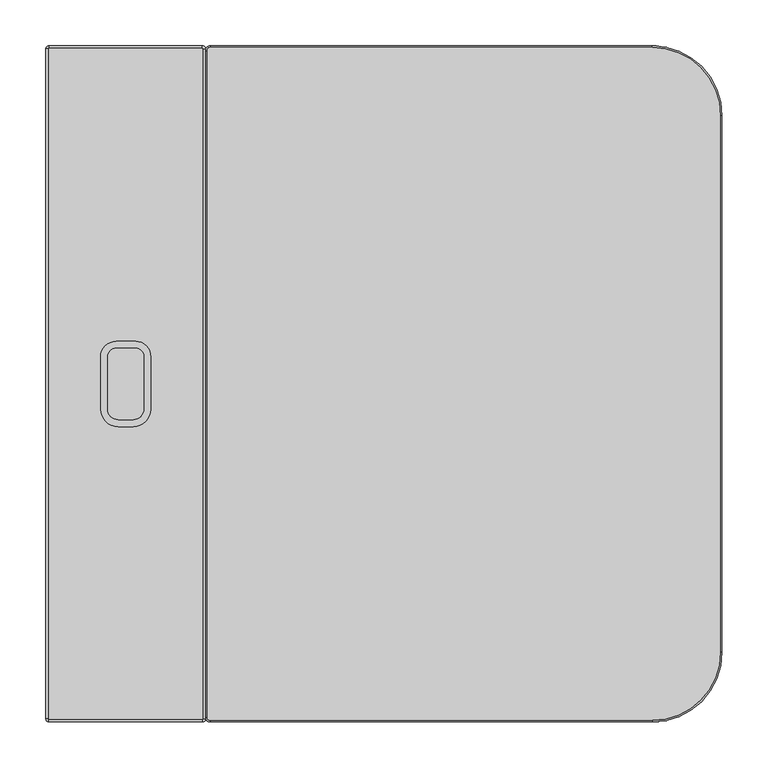
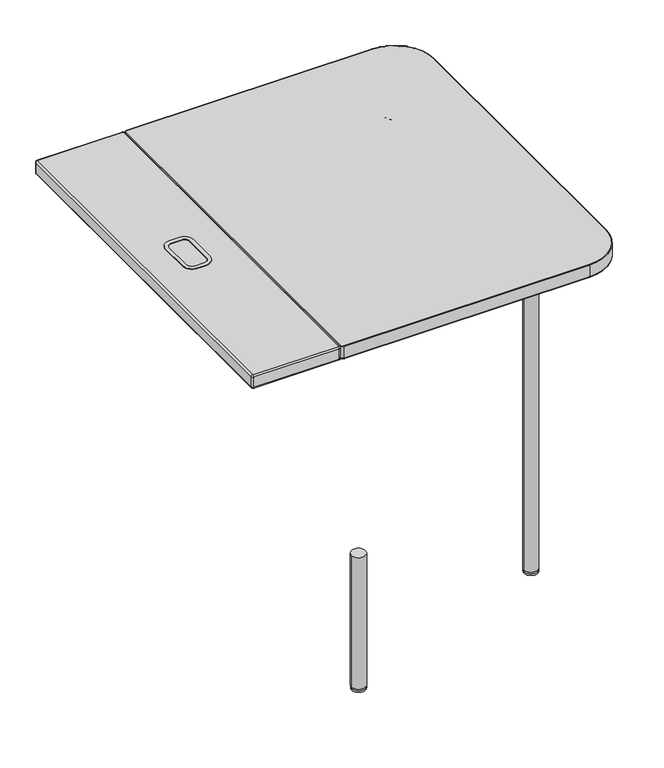
"""IFC4 building model written with IfcOpenShell, lengths in millimetres: furniture geometry."""

from ifc_helpers import new_model, si_unit, point, frame, frame_2d, origin, place, context, project, spatial, polyline, circle_curve, ellipse_curve, trimmed, segment, composite_curve, outline, extrude, source, transform, mapped, element, save
from ifc_brep_helpers import plane_surface, cylinder_surface, revolved_surface, advanced_brep


def furniture_56a9c223(model_context):
    return source(origin(), model_context, "Body", "SolidModel", [
        advanced_brep(
        [(734.9734241, -660.3995155, 738.0731901), (734.9734241, -76.2, 738.0731901), (660.4009689, -1.6275448, 738.0731901), (179.072214, -1.6275448, 738.0731901), (175.6197588, -5.08, 738.0731901), (175.6197588, -731.5195155, 738.0731901), (179.072214, -734.9719707, 738.0731901), (660.4009689, -734.9719707, 738.0731901), (173.992214, -5.08, 712.8617201), (179.072214, 0.0, 712.8617201), (179.072214, -1.6213398, 711.2403803), (175.6135538, -5.08, 711.2403803), (173.992214, -5.08, 736.4456453), (179.072214, 0.0, 736.4456453), (175.6135538, -731.5195155, 711.2403803), (173.992214, -731.5195155, 712.8617201), (173.992214, -731.5195155, 736.4456453), (179.072214, -734.9781757, 711.2403803), (179.072214, -736.5995155, 712.8617201), (179.072214, -736.5995155, 736.4456453), (660.4009689, -734.9781757, 711.2403803), (660.4009689, -736.5995155, 712.8617201), (660.4009689, -736.5995155, 736.4456453), (734.9796291, -660.3995155, 711.2403803), (736.6009689, -660.3995155, 712.8617201), (736.6009689, -660.3995155, 736.4456453), (734.9796291, -76.2, 711.2403803), (736.6009689, -76.2, 712.8617201), (736.6009689, -76.2, 736.4456453), (660.4009689, -1.6213398, 711.2403803), (660.4009689, 0.0, 712.8617201), (660.4009689, 0.0, 736.4456453)],
        [
            (0, 1),
            (1, 2, circle_curve(frame((660.4009689, -76.2, 738.0731901), z_axis=(0.0, 0.0, 1.0), x_axis=(1.0, 0.0, 0.0)), 74.5724552)),
            (2, 3),
            (3, 4, circle_curve(frame((179.072214, -5.08, 738.0731901), z_axis=(0.0, 0.0, 1.0), x_axis=(0.0, 1.0, 0.0)), 3.4524552)),
            (4, 5),
            (5, 6, circle_curve(frame((179.072214, -731.5195155, 738.0731901), z_axis=(0.0, 0.0, 1.0), x_axis=(-1.0, 0.0, 0.0)), 3.4524552)),
            (6, 7),
            (7, 0, circle_curve(frame((660.4009689, -660.3995155, 738.0731901), z_axis=(0.0, 0.0, 1.0), x_axis=(0.0, -1.0, 0.0)), 74.5724552)),
            (8, 9, circle_curve(frame((179.072214, -5.08, 712.8617201), z_axis=(0.0, 0.0, -1.0), x_axis=(0.0, 1.0, 0.0)), 5.08)),
            (9, 10, circle_curve(frame((179.072214, -1.6213398, 712.8617201), z_axis=(-1.0, 0.0, 0.0), x_axis=(0.0, -1.0, 0.0)), 1.6213398)),
            (10, 11, circle_curve(frame((179.072214, -5.08, 711.2403803), z_axis=(0.0, 0.0, 1.0), x_axis=(0.0, 1.0, 0.0)), 3.4586602)),
            (11, 8, circle_curve(frame((175.6135538, -5.08, 712.8617201), z_axis=(0.0, 1.0, 0.0), x_axis=(1.0, 0.0, 0.0)), 1.6213398)),
            (8, 12),
            (12, 13, circle_curve(frame((179.072214, -5.08, 736.4456453), z_axis=(0.0, 0.0, -1.0), x_axis=(0.0, 1.0, 0.0)), 5.08)),
            (13, 9),
            (3, 13, circle_curve(frame((179.072214, -1.6275448, 736.4456453), z_axis=(-1.0, 0.0, 0.0), x_axis=(0.0, -1.0, 0.0)), 1.6275448)),
            (12, 4, circle_curve(frame((175.6197588, -5.08, 736.4456453), z_axis=(0.0, 1.0, 0.0), x_axis=(1.0, 0.0, 0.0)), 1.6275448)),
            (11, 14),
            (14, 15, circle_curve(frame((175.6135538, -731.5195155, 712.8617201), z_axis=(0.0, 1.0, 0.0), x_axis=(1.0, 0.0, 0.0)), 1.6213398)),
            (15, 8),
            (15, 16),
            (16, 12),
            (16, 5, circle_curve(frame((175.6197588, -731.5195155, 736.4456453), z_axis=(0.0, 1.0, 0.0), x_axis=(1.0, 0.0, 0.0)), 1.6275448)),
            (14, 17, circle_curve(frame((179.072214, -731.5195155, 711.2403803), z_axis=(0.0, 0.0, 1.0), x_axis=(-1.0, 0.0, 0.0)), 3.4586602)),
            (17, 18, circle_curve(frame((179.072214, -734.9781757, 712.8617201), z_axis=(-1.0, 0.0, 0.0), x_axis=(0.0, 1.0, 0.0)), 1.6213398)),
            (18, 15, circle_curve(frame((179.072214, -731.5195155, 712.8617201), z_axis=(0.0, 0.0, -1.0), x_axis=(-1.0, 0.0, 0.0)), 5.08)),
            (18, 19),
            (19, 16, circle_curve(frame((179.072214, -731.5195155, 736.4456453), z_axis=(0.0, 0.0, -1.0), x_axis=(-1.0, 0.0, 0.0)), 5.08)),
            (19, 6, circle_curve(frame((179.072214, -734.9719707, 736.4456453), z_axis=(-1.0, 0.0, 0.0), x_axis=(0.0, 1.0, 0.0)), 1.6275448)),
            (17, 20),
            (20, 21, circle_curve(frame((660.4009689, -734.9781757, 712.8617201), z_axis=(-1.0, 0.0, 0.0), x_axis=(0.0, 1.0, 0.0)), 1.6213398)),
            (21, 18),
            (21, 22),
            (22, 19),
            (22, 7, circle_curve(frame((660.4009689, -734.9719707, 736.4456453), z_axis=(-1.0, 0.0, 0.0), x_axis=(0.0, 1.0, 0.0)), 1.6275448)),
            (20, 23, circle_curve(frame((660.4009689, -660.3995155, 711.2403803), z_axis=(0.0, 0.0, 1.0), x_axis=(0.0, -1.0, 0.0)), 74.5786602)),
            (23, 24, circle_curve(frame((734.9796291, -660.3995155, 712.8617201), z_axis=(0.0, -1.0, 0.0), x_axis=(-1.0, 0.0, 0.0)), 1.6213398)),
            (24, 21, circle_curve(frame((660.4009689, -660.3995155, 712.8617201), z_axis=(0.0, 0.0, -1.0), x_axis=(0.0, -1.0, 0.0)), 76.2)),
            (24, 25),
            (25, 22, circle_curve(frame((660.4009689, -660.3995155, 736.4456453), z_axis=(0.0, 0.0, -1.0), x_axis=(0.0, -1.0, 0.0)), 76.2)),
            (25, 0, circle_curve(frame((734.9734241, -660.3995155, 736.4456453), z_axis=(0.0, -1.0, 0.0), x_axis=(-1.0, 0.0, 0.0)), 1.6275448)),
            (23, 26),
            (26, 27, circle_curve(frame((734.9796291, -76.2, 712.8617201), z_axis=(0.0, -1.0, 0.0), x_axis=(-1.0, 0.0, 0.0)), 1.6213398)),
            (27, 24),
            (27, 28),
            (28, 25),
            (28, 1, circle_curve(frame((734.9734241, -76.2, 736.4456453), z_axis=(0.0, -1.0, 0.0), x_axis=(-1.0, 0.0, 0.0)), 1.6275448)),
            (26, 29, circle_curve(frame((660.4009689, -76.2, 711.2403803), z_axis=(0.0, 0.0, 1.0), x_axis=(1.0, 0.0, 0.0)), 74.5786602)),
            (29, 30, circle_curve(frame((660.4009689, -1.6213398, 712.8617201), z_axis=(1.0, 0.0, 0.0), x_axis=(0.0, -1.0, 0.0)), 1.6213398)),
            (30, 27, circle_curve(frame((660.4009689, -76.2, 712.8617201), z_axis=(0.0, 0.0, -1.0), x_axis=(1.0, 0.0, 0.0)), 76.2)),
            (30, 31),
            (31, 28, circle_curve(frame((660.4009689, -76.2, 736.4456453), z_axis=(0.0, 0.0, -1.0), x_axis=(1.0, 0.0, 0.0)), 76.2)),
            (31, 2, circle_curve(frame((660.4009689, -1.6275448, 736.4456453), z_axis=(1.0, 0.0, 0.0), x_axis=(0.0, -1.0, 0.0)), 1.6275448)),
            (10, 29),
            (9, 30),
            (13, 31),
        ],
        [
            plane_surface(frame((660.4009689, -1.6275448, 738.0731901), z_axis=(0.0, 0.0, 1.0), x_axis=(-1.0, 0.0, 0.0))),
            revolved_surface(trimmed(ellipse_curve(frame((179.072214, -1.6213398, 712.8617201), z_axis=(1.0, 0.0, 0.0), x_axis=(0.0, -1.0, 0.0)), 1.6213398, 1.6213398), [point((179.072214, -1.6213398, 711.2403803))], [point((179.072214, 0.0, 712.8617201))], True, "CARTESIAN"), (179.072214, -5.08, 734.8981659), (0.0, 0.0, 1.0)),
            cylinder_surface(frame((179.072214, -5.08, 734.8981659), z_axis=(0.0, 0.0, 1.0), x_axis=(0.0, 1.0, 0.0)), 5.08),
            revolved_surface(trimmed(ellipse_curve(frame((179.072214, -1.6275448, 736.4456453), z_axis=(1.0, 0.0, 0.0), x_axis=(0.0, -1.0, 0.0)), 1.6275448, 1.6275448), [point((179.072214, 0.0, 736.4456453))], [point((179.072214, -1.6275448, 738.0731901))], True, "CARTESIAN"), (179.072214, -5.08, 734.8981659), (0.0, 0.0, 1.0)),
            cylinder_surface(frame((175.6135538, -5.08, 712.8617201), z_axis=(0.0, 1.0, 0.0), x_axis=(1.0, 0.0, 0.0)), 1.6213398),
            plane_surface(frame((173.992214, -5.08, 712.8617201), z_axis=(-1.0, 0.0, 0.0), x_axis=(0.0, -1.0, 0.0))),
            cylinder_surface(frame((175.6197588, -5.08, 736.4456453), z_axis=(0.0, 1.0, 0.0), x_axis=(1.0, 0.0, 0.0)), 1.6275448),
            revolved_surface(trimmed(ellipse_curve(frame((175.6135538, -731.5195155, 712.8617201), z_axis=(0.0, 1.0, 0.0), x_axis=(1.0, 0.0, 0.0)), 1.6213398, 1.6213398), [point((175.6135538, -731.5195155, 711.2403803))], [point((173.992214, -731.5195155, 712.8617201))], True, "CARTESIAN"), (179.072214, -731.5195155, 734.8981659), (0.0, 0.0, 1.0)),
            cylinder_surface(frame((179.072214, -731.5195155, 734.8981659), z_axis=(0.0, 0.0, 1.0), x_axis=(-1.0, 0.0, 0.0)), 5.08),
            revolved_surface(trimmed(ellipse_curve(frame((175.6197588, -731.5195155, 736.4456453), z_axis=(0.0, 1.0, 0.0), x_axis=(1.0, 0.0, 0.0)), 1.6275448, 1.6275448), [point((173.992214, -731.5195155, 736.4456453))], [point((175.6197588, -731.5195155, 738.0731901))], True, "CARTESIAN"), (179.072214, -731.5195155, 734.8981659), (0.0, 0.0, 1.0)),
            cylinder_surface(frame((179.072214, -734.9781757, 712.8617201), z_axis=(-1.0, 0.0, 0.0), x_axis=(0.0, 1.0, 0.0)), 1.6213398),
            plane_surface(frame((179.072214, -736.5995155, 712.8617201), z_axis=(0.0, -1.0, 0.0), x_axis=(1.0, 0.0, 0.0))),
            cylinder_surface(frame((179.072214, -734.9719707, 736.4456453), z_axis=(-1.0, 0.0, 0.0), x_axis=(0.0, 1.0, 0.0)), 1.6275448),
            revolved_surface(trimmed(ellipse_curve(frame((660.4009689, -734.9781757, 712.8617201), z_axis=(-1.0, 0.0, 0.0), x_axis=(0.0, 1.0, 0.0)), 1.6213398, 1.6213398), [point((660.4009689, -734.9781757, 711.2403803))], [point((660.4009689, -736.5995155, 712.8617201))], True, "CARTESIAN"), (660.4009689, -660.3995155, 734.8981659), (0.0, 0.0, 1.0)),
            cylinder_surface(frame((660.4009689, -660.3995155, 734.8981659), z_axis=(0.0, 0.0, 1.0), x_axis=(0.0, -1.0, 0.0)), 76.2),
            revolved_surface(trimmed(ellipse_curve(frame((660.4009689, -734.9719707, 736.4456453), z_axis=(-1.0, 0.0, 0.0), x_axis=(0.0, 1.0, 0.0)), 1.6275448, 1.6275448), [point((660.4009689, -736.5995155, 736.4456453))], [point((660.4009689, -734.9719707, 738.0731901))], True, "CARTESIAN"), (660.4009689, -660.3995155, 734.8981659), (0.0, 0.0, 1.0)),
            cylinder_surface(frame((734.9796291, -660.3995155, 712.8617201), z_axis=(0.0, -1.0, 0.0), x_axis=(-1.0, 0.0, 0.0)), 1.6213398),
            plane_surface(frame((736.6009689, -660.3995155, 712.8617201), z_axis=(1.0, 0.0, 0.0), x_axis=(0.0, 1.0, 0.0))),
            cylinder_surface(frame((734.9734241, -660.3995155, 736.4456453), z_axis=(0.0, -1.0, 0.0), x_axis=(-1.0, 0.0, 0.0)), 1.6275448),
            revolved_surface(trimmed(ellipse_curve(frame((734.9796291, -76.2, 712.8617201), z_axis=(0.0, -1.0, 0.0), x_axis=(-1.0, 0.0, 0.0)), 1.6213398, 1.6213398), [point((734.9796291, -76.2, 711.2403803))], [point((736.6009689, -76.2, 712.8617201))], True, "CARTESIAN"), (660.4009689, -76.2, 734.8981659), (0.0, 0.0, 1.0)),
            cylinder_surface(frame((660.4009689, -76.2, 734.8981659), z_axis=(0.0, 0.0, 1.0), x_axis=(1.0, 0.0, 0.0)), 76.2),
            revolved_surface(trimmed(ellipse_curve(frame((734.9734241, -76.2, 736.4456453), z_axis=(0.0, -1.0, 0.0), x_axis=(-1.0, 0.0, 0.0)), 1.6275448, 1.6275448), [point((736.6009689, -76.2, 736.4456453))], [point((734.9734241, -76.2, 738.0731901))], True, "CARTESIAN"), (660.4009689, -76.2, 734.8981659), (0.0, 0.0, 1.0)),
            plane_surface(frame((660.4009689, -2.6639572, 711.2403803), z_axis=(0.0, 0.0, -1.0), x_axis=(-1.0, 0.0, 0.0))),
            cylinder_surface(frame((660.4009689, -1.6213398, 712.8617201), z_axis=(1.0, 0.0, 0.0), x_axis=(0.0, -1.0, 0.0)), 1.6213398),
            plane_surface(frame((660.4009689, 0.0, 712.8617201), z_axis=(0.0, 1.0, 0.0), x_axis=(-1.0, 0.0, 0.0))),
            cylinder_surface(frame((660.4009689, -1.6275448, 736.4456453), z_axis=(1.0, 0.0, 0.0), x_axis=(0.0, -1.0, 0.0)), 1.6275448),
        ],
        [
            (0, [[1, 2, 3, 4, 5, 6, 7, 8]]),
            (1, [[9, 10, 11, 12]]),
            (2, [[-9, 13, 14, 15]]),
            (3, [[-4, 16, -14, 17]]),
            (4, [[-12, 18, 19, 20]]),
            (5, [[-13, -20, 21, 22]]),
            (6, [[-5, -17, -22, 23]]),
            (7, [[-19, 24, 25, 26]]),
            (8, [[-21, -26, 27, 28]]),
            (9, [[-6, -23, -28, 29]]),
            (10, [[-25, 30, 31, 32]]),
            (11, [[-27, -32, 33, 34]]),
            (12, [[-7, -29, -34, 35]]),
            (13, [[-31, 36, 37, 38]]),
            (14, [[-33, -38, 39, 40]]),
            (15, [[-8, -35, -40, 41]]),
            (16, [[-37, 42, 43, 44]]),
            (17, [[-39, -44, 45, 46]]),
            (18, [[-1, -41, -46, 47]]),
            (19, [[-43, 48, 49, 50]]),
            (20, [[-45, -50, 51, 52]]),
            (21, [[-2, -47, -52, 53]]),
            (22, [[-11, 54, -48, -42, -36, -30, -24, -18]]),
            (23, [[-10, 55, -49, -54]]),
            (24, [[-15, 56, -51, -55]]),
            (25, [[-3, -53, -56, -16]]),
        ],
    ),
        advanced_brep(
        [(171.4597498, -3.3782, 711.2403803), (170.6215498, -2.54, 711.2403803), (170.6215498, 0.0, 713.7803803), (173.9997498, -3.3782, 713.7803803), (173.9997498, -3.3782, 735.5331901), (170.6215498, 0.0, 735.5331901), (170.6215498, -2.54, 738.0731901), (171.4597498, -3.3782, 738.0731901), (173.9997498, -733.2249972, 713.7803803), (171.4597498, -733.2249972, 711.2403803), (171.4597498, -733.2249972, 738.0731901), (173.9997498, -733.2249972, 735.5331901), (170.624747, -736.6, 713.7803803), (170.624747, -734.06, 711.2403803), (170.624747, -734.06, 738.0731901), (170.624747, -736.6, 735.5331901), (3.3782, -736.6, 713.7803803), (3.3782, -734.06, 711.2403803), (3.3782, -734.06, 738.0731901), (3.3782, -736.6, 735.5331901), (0.0, -733.2218, 713.7803803), (2.54, -733.2218, 711.2403803), (2.54, -733.2218, 738.0731901), (0.0, -733.2218, 735.5331901), (0.0, -3.3782, 713.7803803), (2.54, -3.3782, 711.2403803), (2.54, -3.3782, 738.0731901), (0.0, -3.3782, 735.5331901), (3.3782, 0.0, 713.7803803), (3.3782, -2.54, 711.2403803), (3.3782, -2.54, 738.0731901), (3.3782, 0.0, 735.5331901)],
        [
            (0, 1, circle_curve(frame((170.6215498, -3.3782, 711.2403803), z_axis=(0.0, 0.0, 1.0), x_axis=(0.0, 1.0, 0.0)), 0.8382)),
            (1, 2, circle_curve(frame((170.6215498, -2.54, 713.7803803), z_axis=(1.0, 0.0, 0.0), x_axis=(0.0, -1.0, 0.0)), 2.54)),
            (2, 3, circle_curve(frame((170.6215498, -3.3782, 713.7803803), z_axis=(0.0, 0.0, -1.0), x_axis=(0.0, 1.0, 0.0)), 3.3782)),
            (3, 0, circle_curve(frame((171.4597498, -3.3782, 713.7803803), z_axis=(0.0, 1.0, 0.0), x_axis=(-1.0, 0.0, 0.0)), 2.54)),
            (4, 5, circle_curve(frame((170.6215498, -3.3782, 735.5331901), z_axis=(0.0, 0.0, 1.0), x_axis=(0.0, 1.0, 0.0)), 3.3782)),
            (5, 6, circle_curve(frame((170.6215498, -2.54, 735.5331901), z_axis=(1.0, 0.0, 0.0), x_axis=(0.0, -1.0, 0.0)), 2.54)),
            (6, 7, circle_curve(frame((170.6215498, -3.3782, 738.0731901), z_axis=(0.0, 0.0, -1.0), x_axis=(0.0, 1.0, 0.0)), 0.8382)),
            (7, 4, circle_curve(frame((171.4597498, -3.3782, 735.5331901), z_axis=(0.0, 1.0, 0.0), x_axis=(-1.0, 0.0, 0.0)), 2.54)),
            (2, 5),
            (4, 3),
            (3, 8),
            (8, 9, circle_curve(frame((171.4597498, -733.2249972, 713.7803803), z_axis=(0.0, 1.0, 0.0), x_axis=(-1.0, 0.0, 0.0)), 2.54)),
            (9, 0),
            (7, 10),
            (10, 11, circle_curve(frame((171.4597498, -733.2249972, 735.5331901), z_axis=(0.0, 1.0, 0.0), x_axis=(-1.0, 0.0, 0.0)), 2.54)),
            (11, 4),
            (11, 8),
            (8, 12, circle_curve(frame((170.624747, -733.2249972, 713.7803803), z_axis=(0.0, 0.0, -1.0), x_axis=(1.0, 0.0, 0.0)), 3.3750028)),
            (12, 13, circle_curve(frame((170.624747, -734.06, 713.7803803), z_axis=(1.0, 0.0, 0.0), x_axis=(0.0, 1.0, 0.0)), 2.54)),
            (13, 9, circle_curve(frame((170.624747, -733.2249972, 711.2403803), z_axis=(0.0, 0.0, 1.0), x_axis=(1.0, 0.0, 0.0)), 0.8350028)),
            (10, 14, circle_curve(frame((170.624747, -733.2249972, 738.0731901), z_axis=(0.0, 0.0, -1.0), x_axis=(1.0, 0.0, 0.0)), 0.8350028)),
            (14, 15, circle_curve(frame((170.624747, -734.06, 735.5331901), z_axis=(1.0, 0.0, 0.0), x_axis=(0.0, 1.0, 0.0)), 2.54)),
            (15, 11, circle_curve(frame((170.624747, -733.2249972, 735.5331901), z_axis=(0.0, 0.0, 1.0), x_axis=(1.0, 0.0, 0.0)), 3.3750028)),
            (15, 12),
            (12, 16),
            (16, 17, circle_curve(frame((3.3782, -734.06, 713.7803803), z_axis=(1.0, 0.0, 0.0), x_axis=(0.0, 1.0, 0.0)), 2.54)),
            (17, 13),
            (14, 18),
            (18, 19, circle_curve(frame((3.3782, -734.06, 735.5331901), z_axis=(1.0, 0.0, 0.0), x_axis=(0.0, 1.0, 0.0)), 2.54)),
            (19, 15),
            (19, 16),
            (16, 20, circle_curve(frame((3.3782, -733.2218, 713.7803803), z_axis=(0.0, 0.0, -1.0), x_axis=(0.0, -1.0, 0.0)), 3.3782)),
            (20, 21, circle_curve(frame((2.54, -733.2218, 713.7803803), z_axis=(0.0, -1.0, 0.0), x_axis=(1.0, 0.0, 0.0)), 2.54)),
            (21, 17, circle_curve(frame((3.3782, -733.2218, 711.2403803), z_axis=(0.0, 0.0, 1.0), x_axis=(0.0, -1.0, 0.0)), 0.8382)),
            (18, 22, circle_curve(frame((3.3782, -733.2218, 738.0731901), z_axis=(0.0, 0.0, -1.0), x_axis=(0.0, -1.0, 0.0)), 0.8382)),
            (22, 23, circle_curve(frame((2.54, -733.2218, 735.5331901), z_axis=(0.0, -1.0, 0.0), x_axis=(1.0, 0.0, 0.0)), 2.54)),
            (23, 19, circle_curve(frame((3.3782, -733.2218, 735.5331901), z_axis=(0.0, 0.0, 1.0), x_axis=(0.0, -1.0, 0.0)), 3.3782)),
            (23, 20),
            (20, 24),
            (24, 25, circle_curve(frame((2.54, -3.3782, 713.7803803), z_axis=(0.0, -1.0, 0.0), x_axis=(1.0, 0.0, 0.0)), 2.54)),
            (25, 21),
            (22, 26),
            (26, 27, circle_curve(frame((2.54, -3.3782, 735.5331901), z_axis=(0.0, -1.0, 0.0), x_axis=(1.0, 0.0, 0.0)), 2.54)),
            (27, 23),
            (27, 24),
            (24, 28, circle_curve(frame((3.3782, -3.3782, 713.7803803), z_axis=(0.0, 0.0, -1.0), x_axis=(-1.0, 0.0, 0.0)), 3.3782)),
            (28, 29, circle_curve(frame((3.3782, -2.54, 713.7803803), z_axis=(-1.0, 0.0, 0.0), x_axis=(0.0, -1.0, 0.0)), 2.54)),
            (29, 25, circle_curve(frame((3.3782, -3.3782, 711.2403803), z_axis=(0.0, 0.0, 1.0), x_axis=(-1.0, 0.0, 0.0)), 0.8382)),
            (26, 30, circle_curve(frame((3.3782, -3.3782, 738.0731901), z_axis=(0.0, 0.0, -1.0), x_axis=(-1.0, 0.0, 0.0)), 0.8382)),
            (30, 31, circle_curve(frame((3.3782, -2.54, 735.5331901), z_axis=(-1.0, 0.0, 0.0), x_axis=(0.0, -1.0, 0.0)), 2.54)),
            (31, 27, circle_curve(frame((3.3782, -3.3782, 735.5331901), z_axis=(0.0, 0.0, 1.0), x_axis=(-1.0, 0.0, 0.0)), 3.3782)),
            (31, 28),
            (1, 29),
            (28, 2),
            (6, 30),
            (5, 31),
        ],
        [
            revolved_surface(trimmed(ellipse_curve(frame((170.6215498, -2.54, 713.7803803), z_axis=(-1.0, 0.0, 0.0), x_axis=(0.0, -1.0, 0.0)), 2.54, 2.54), [point((170.6215498, 0.0, 713.7803803))], [point((170.6215498, -2.54, 711.2403803))], True, "CARTESIAN"), (170.6215498, -3.3782, 0.0), (0.0, 0.0, -1.0)),
            revolved_surface(trimmed(ellipse_curve(frame((170.6215498, -2.54, 735.5331901), z_axis=(-1.0, 0.0, 0.0), x_axis=(0.0, -1.0, 0.0)), 2.54, 2.54), [point((170.6215498, -2.54, 738.0731901))], [point((170.6215498, 0.0, 735.5331901))], True, "CARTESIAN"), (170.6215498, -3.3782, 0.0), (0.0, 0.0, -1.0)),
            cylinder_surface(frame((170.6215498, -3.3782, 0.0), z_axis=(0.0, 0.0, -1.0), x_axis=(0.0, 1.0, 0.0)), 3.3782),
            cylinder_surface(frame((171.4597498, -3.3782, 713.7803803), z_axis=(0.0, 1.0, 0.0), x_axis=(-1.0, 0.0, 0.0)), 2.54),
            cylinder_surface(frame((171.4597498, -3.3782, 735.5331901), z_axis=(0.0, 1.0, 0.0), x_axis=(-1.0, 0.0, 0.0)), 2.54),
            plane_surface(frame((173.9997498, -3.3782, 735.5331901), z_axis=(1.0, 0.0, 0.0), x_axis=(0.0, -1.0, 0.0))),
            revolved_surface(trimmed(ellipse_curve(frame((171.4597498, -733.2249972, 713.7803803), z_axis=(0.0, 1.0, 0.0), x_axis=(-1.0, 0.0, 0.0)), 2.54, 2.54), [point((173.9997498, -733.2249972, 713.7803803))], [point((171.4597498, -733.2249972, 711.2403803))], True, "CARTESIAN"), (170.624747, -733.2249972, 0.0), (0.0, 0.0, -1.0)),
            revolved_surface(trimmed(ellipse_curve(frame((171.4597498, -733.2249972, 735.5331901), z_axis=(0.0, 1.0, 0.0), x_axis=(-1.0, 0.0, 0.0)), 2.54, 2.54), [point((171.4597498, -733.2249972, 738.0731901))], [point((173.9997498, -733.2249972, 735.5331901))], True, "CARTESIAN"), (170.624747, -733.2249972, 0.0), (0.0, 0.0, -1.0)),
            cylinder_surface(frame((170.624747, -733.2249972, 0.0), z_axis=(0.0, 0.0, -1.0), x_axis=(1.0, 0.0, 0.0)), 3.3750028),
            cylinder_surface(frame((170.624747, -734.06, 713.7803803), z_axis=(1.0, 0.0, 0.0), x_axis=(0.0, 1.0, 0.0)), 2.54),
            cylinder_surface(frame((170.624747, -734.06, 735.5331901), z_axis=(1.0, 0.0, 0.0), x_axis=(0.0, 1.0, 0.0)), 2.54),
            plane_surface(frame((170.624747, -736.6, 735.5331901), z_axis=(0.0, -1.0, 0.0), x_axis=(-1.0, 0.0, 0.0))),
            revolved_surface(trimmed(ellipse_curve(frame((3.3782, -734.06, 713.7803803), z_axis=(1.0, 0.0, 0.0), x_axis=(0.0, 1.0, 0.0)), 2.54, 2.54), [point((3.3782, -736.6, 713.7803803))], [point((3.3782, -734.06, 711.2403803))], True, "CARTESIAN"), (3.3782, -733.2218, 0.0), (0.0, 0.0, -1.0)),
            revolved_surface(trimmed(ellipse_curve(frame((3.3782, -734.06, 735.5331901), z_axis=(1.0, 0.0, 0.0), x_axis=(0.0, 1.0, 0.0)), 2.54, 2.54), [point((3.3782, -734.06, 738.0731901))], [point((3.3782, -736.6, 735.5331901))], True, "CARTESIAN"), (3.3782, -733.2218, 0.0), (0.0, 0.0, -1.0)),
            cylinder_surface(frame((3.3782, -733.2218, 0.0), z_axis=(0.0, 0.0, -1.0), x_axis=(0.0, -1.0, 0.0)), 3.3782),
            cylinder_surface(frame((2.54, -733.2218, 713.7803803), z_axis=(0.0, -1.0, 0.0), x_axis=(1.0, 0.0, 0.0)), 2.54),
            cylinder_surface(frame((2.54, -733.2218, 735.5331901), z_axis=(0.0, -1.0, 0.0), x_axis=(1.0, 0.0, 0.0)), 2.54),
            plane_surface(frame((0.0, -733.2218, 735.5331901), z_axis=(-1.0, 0.0, 0.0), x_axis=(0.0, 1.0, 0.0))),
            revolved_surface(trimmed(ellipse_curve(frame((2.54, -3.3782, 713.7803803), z_axis=(0.0, -1.0, 0.0), x_axis=(1.0, 0.0, 0.0)), 2.54, 2.54), [point((0.0, -3.3782, 713.7803803))], [point((2.54, -3.3782, 711.2403803))], True, "CARTESIAN"), (3.3782, -3.3782, 0.0), (0.0, 0.0, -1.0)),
            revolved_surface(trimmed(ellipse_curve(frame((2.54, -3.3782, 735.5331901), z_axis=(0.0, -1.0, 0.0), x_axis=(1.0, 0.0, 0.0)), 2.54, 2.54), [point((2.54, -3.3782, 738.0731901))], [point((0.0, -3.3782, 735.5331901))], True, "CARTESIAN"), (3.3782, -3.3782, 0.0), (0.0, 0.0, -1.0)),
            cylinder_surface(frame((3.3782, -3.3782, 0.0), z_axis=(0.0, 0.0, -1.0), x_axis=(-1.0, 0.0, 0.0)), 3.3782),
            cylinder_surface(frame((3.3782, -2.54, 713.7803803), z_axis=(-1.0, 0.0, 0.0), x_axis=(0.0, -1.0, 0.0)), 2.54),
            plane_surface(frame((3.3782, -2.54, 711.2403803), z_axis=(0.0, 0.0, -1.0), x_axis=(1.0, 0.0, 0.0))),
            plane_surface(frame((3.3782, -3.3653618, 738.0731901), z_axis=(0.0, 0.0, 1.0), x_axis=(1.0, 0.0, 0.0))),
            cylinder_surface(frame((3.3782, -2.54, 735.5331901), z_axis=(-1.0, 0.0, 0.0), x_axis=(0.0, -1.0, 0.0)), 2.54),
            plane_surface(frame((3.3782, 0.0, 735.5331901), z_axis=(0.0, 1.0, 0.0), x_axis=(1.0, 0.0, 0.0))),
        ],
        [
            (0, [[1, 2, 3, 4]]),
            (1, [[5, 6, 7, 8]]),
            (2, [[-3, 9, -5, 10]]),
            (3, [[-4, 11, 12, 13]]),
            (4, [[-8, 14, 15, 16]]),
            (5, [[-10, -16, 17, -11]]),
            (6, [[-12, 18, 19, 20]]),
            (7, [[-15, 21, 22, 23]]),
            (8, [[-17, -23, 24, -18]]),
            (9, [[-19, 25, 26, 27]]),
            (10, [[-22, 28, 29, 30]]),
            (11, [[-24, -30, 31, -25]]),
            (12, [[-26, 32, 33, 34]]),
            (13, [[-29, 35, 36, 37]]),
            (14, [[-31, -37, 38, -32]]),
            (15, [[-33, 39, 40, 41]]),
            (16, [[-36, 42, 43, 44]]),
            (17, [[-38, -44, 45, -39]]),
            (18, [[-40, 46, 47, 48]]),
            (19, [[-43, 49, 50, 51]]),
            (20, [[-45, -51, 52, -46]]),
            (21, [[-2, 53, -47, 54]]),
            (22, [[-1, -13, -20, -27, -34, -41, -48, -53]]),
            (23, [[-7, 55, -49, -42, -35, -28, -21, -14]]),
            (24, [[-6, 56, -50, -55]]),
            (25, [[-9, -54, -52, -56]]),
        ],
    ),
        advanced_brep(
        [(657.4837209, -558.9116898, 7.4421999), (637.8363373, -558.9116898, 7.4421999), (634.562739, -558.9116898, 4.0585105), (660.7573193, -558.9116898, 4.0585105), (636.2832767, -558.9116898, 0.0), (659.0367815, -558.9116898, 0.0), (647.6600291, -558.9116898, 0.0), (647.6600291, -558.9116898, 7.4421999)],
        [
            (0, 1, circle_curve(frame((647.6600291, -558.9116898, 7.4421999), z_axis=(0.0, 0.0, -1.0), x_axis=(-1.0, 0.0, 0.0)), 9.8236918)),
            (1, 2),
            (2, 3, circle_curve(frame((647.6600291, -558.9116898, 4.0585105), z_axis=(0.0, 0.0, 1.0), x_axis=(-1.0, 0.0, 0.0)), 13.0972902)),
            (3, 0),
            (1, 0, circle_curve(frame((647.6600291, -558.9116898, 7.4421999), z_axis=(0.0, 0.0, -1.0), x_axis=(-1.0, 0.0, 0.0)), 9.8236918)),
            (3, 2, circle_curve(frame((647.6600291, -558.9116898, 4.0585105), z_axis=(0.0, 0.0, 1.0), x_axis=(-1.0, 0.0, 0.0)), 13.0972902)),
            (2, 4, circle_curve(frame((636.2832767, -558.9116898, 2.3939518), z_axis=(0.0, -1.0, 0.0), x_axis=(1.0, 0.0, 0.0)), 2.3939518)),
            (4, 5, circle_curve(frame((647.6600291, -558.9116898, 0.0), z_axis=(0.0, 0.0, 1.0), x_axis=(-1.0, 0.0, 0.0)), 11.3767524)),
            (5, 3, circle_curve(frame((659.0367815, -558.9116898, 2.3939518), z_axis=(0.0, -1.0, 0.0), x_axis=(-1.0, 0.0, 0.0)), 2.3939518)),
            (5, 4, circle_curve(frame((647.6600291, -558.9116898, 0.0), z_axis=(0.0, 0.0, 1.0), x_axis=(-1.0, 0.0, 0.0)), 11.3767524)),
            (4, 6),
            (6, 5),
            (7, 1),
            (0, 7),
        ],
        [
            revolved_surface(polyline([(634.562739, -558.9116898, 4.0585105), (637.8363373, -558.9116898, 7.4421999)]), (647.6600291, -558.9116898, 3.7265795), (0.0, 0.0, 1.0)),
            revolved_surface(trimmed(ellipse_curve(frame((636.2832767, -558.9116898, 2.3939518), z_axis=(0.0, 1.0, 0.0), x_axis=(1.0, 0.0, 0.0)), 2.3939518, 2.3939518), [point((636.2832767, -558.9116898, 0.0))], [point((634.562739, -558.9116898, 4.0585105))], True, "CARTESIAN"), (647.6600291, -558.9116898, 3.7265795), (0.0, 0.0, 1.0)),
            plane_surface(frame((647.6600291, -558.9116898, 0.0), z_axis=(0.0, 0.0, -1.0), x_axis=(-1.0, 0.0, 0.0))),
            plane_surface(frame((647.6600291, -558.9116898, 7.4421999), z_axis=(0.0, 0.0, 1.0), x_axis=(-1.0, 0.0, 0.0))),
        ],
        [
            (0, [[1, 2, 3, 4]]),
            (0, [[5, -4, 6, -2]]),
            (1, [[-3, 7, 8, 9]]),
            (1, [[-6, -9, 10, -7]]),
            (2, [[-8, 11, 12]]),
            (2, [[-10, -12, -11]]),
            (3, [[13, -1, 14]]),
            (3, [[-14, -5, -13]]),
        ],
    ),
        advanced_brep(
        [(232.0736979, -711.9932655, 7.4421999), (212.4263143, -711.9932655, 7.4421999), (209.1527159, -711.9932655, 4.0585105), (235.3472962, -711.9932655, 4.0585105), (210.8732536, -711.9932655, 0.0), (233.6267585, -711.9932655, 0.0), (222.2500061, -711.9932655, 0.0), (222.2500061, -711.9932655, 7.4421999)],
        [
            (0, 1, circle_curve(frame((222.2500061, -711.9932655, 7.4421999), z_axis=(0.0, 0.0, -1.0), x_axis=(-1.0, 0.0, 0.0)), 9.8236918)),
            (1, 2),
            (2, 3, circle_curve(frame((222.2500061, -711.9932655, 4.0585105), z_axis=(0.0, 0.0, 1.0), x_axis=(-1.0, 0.0, 0.0)), 13.0972902)),
            (3, 0),
            (1, 0, circle_curve(frame((222.2500061, -711.9932655, 7.4421999), z_axis=(0.0, 0.0, -1.0), x_axis=(-1.0, 0.0, 0.0)), 9.8236918)),
            (3, 2, circle_curve(frame((222.2500061, -711.9932655, 4.0585105), z_axis=(0.0, 0.0, 1.0), x_axis=(-1.0, 0.0, 0.0)), 13.0972902)),
            (2, 4, circle_curve(frame((210.8732536, -711.9932655, 2.3939518), z_axis=(0.0, -1.0, 0.0), x_axis=(1.0, 0.0, 0.0)), 2.3939518)),
            (4, 5, circle_curve(frame((222.2500061, -711.9932655, 0.0), z_axis=(0.0, 0.0, 1.0), x_axis=(-1.0, 0.0, 0.0)), 11.3767524)),
            (5, 3, circle_curve(frame((233.6267585, -711.9932655, 2.3939518), z_axis=(0.0, -1.0, 0.0), x_axis=(-1.0, 0.0, 0.0)), 2.3939518)),
            (5, 4, circle_curve(frame((222.2500061, -711.9932655, 0.0), z_axis=(0.0, 0.0, 1.0), x_axis=(-1.0, 0.0, 0.0)), 11.3767524)),
            (4, 6),
            (6, 5),
            (7, 1),
            (0, 7),
        ],
        [
            revolved_surface(polyline([(209.1527159, -711.9932655, 4.0585105), (212.4263143, -711.9932655, 7.4421999)]), (222.2500061, -711.9932655, 3.7265795), (0.0, 0.0, 1.0)),
            revolved_surface(trimmed(ellipse_curve(frame((210.8732536, -711.9932655, 2.3939518), z_axis=(0.0, 1.0, 0.0), x_axis=(1.0, 0.0, 0.0)), 2.3939518, 2.3939518), [point((210.8732536, -711.9932655, 0.0))], [point((209.1527159, -711.9932655, 4.0585105))], True, "CARTESIAN"), (222.2500061, -711.9932655, 3.7265795), (0.0, 0.0, 1.0)),
            plane_surface(frame((222.2500061, -711.9932655, 0.0), z_axis=(0.0, 0.0, -1.0), x_axis=(-1.0, 0.0, 0.0))),
            plane_surface(frame((222.2500061, -711.9932655, 7.4421999), z_axis=(0.0, 0.0, 1.0), x_axis=(-1.0, 0.0, 0.0))),
        ],
        [
            (0, [[1, 2, 3, 4]]),
            (0, [[5, -4, 6, -2]]),
            (1, [[-3, 7, 8, 9]]),
            (1, [[-6, -9, 10, -7]]),
            (2, [[-8, 11, 12]]),
            (2, [[-10, -12, -11]]),
            (3, [[13, -1, 14]]),
            (3, [[-14, -5, -13]]),
        ],
    ),
        extrude(outline(composite_curve([segment(trimmed(circle_curve(frame_2d((222.2175874, -711.6296598)), 13.7484056), [point((208.4691818, -711.6296598))], [point((235.965993, -711.6296598))], False, "CARTESIAN"), True, "CONTINUOUS"), segment(trimmed(circle_curve(frame_2d((222.2175874, -711.6296598)), 13.7484056), [point((235.965993, -711.6296598))], [point((208.4691818, -711.6296598))], False, "CARTESIAN"), True, "CONTINUOUS")], self_intersect=False)), frame((0.0, 0.0, 7.4421999), z_axis=(0.0, 0.0, 1.0), x_axis=(1.0, 0.0, 0.0)), (0.0, 0.0, 1.0), 272.1245656),
        extrude(outline(composite_curve([segment(trimmed(circle_curve(frame_2d((647.6276104, -558.548084)), 13.7484056), [point((633.8792048, -558.548084))], [point((661.376016, -558.548084))], False, "CARTESIAN"), True, "CONTINUOUS"), segment(trimmed(circle_curve(frame_2d((647.6276104, -558.548084)), 13.7484056), [point((661.376016, -558.548084))], [point((633.8792048, -558.548084))], False, "CARTESIAN"), True, "CONTINUOUS")], self_intersect=False)), frame((0.0, 0.0, 7.4421999), z_axis=(0.0, 0.0, 1.0), x_axis=(1.0, 0.0, 0.0)), (0.0, 0.0, 1.0), 704.2266426),
        advanced_brep(
        [(162.3124361, -74.781447, 672.1919643), (162.3124361, -78.159647, 675.5701643), (162.3124361, -78.159647, 707.7077566), (162.3124361, -74.781447, 711.0859566), (162.3124361, -54.1742999, 711.0859566), (162.3124361, -50.7960999, 707.7077566), (162.3124361, -50.7960999, 675.5701643), (162.3124361, -54.1742999, 672.1919643), (567.8477595, -54.1742999, 672.1919643), (656.7716941, -143.0982345, 672.1919643), (656.7716941, -537.7165648, 672.1919643), (626.3678941, -568.1203648, 672.1919643), (161.6749244, -568.1203648, 672.1919643), (161.6749244, -547.5132177, 672.1919643), (626.3678941, -547.5132177, 672.1919643), (636.164547, -537.7165648, 672.1919643), (636.164547, -143.0982345, 672.1919643), (567.8477595, -74.781447, 672.1919643), (567.8477595, -50.7960999, 675.5701643), (567.8477595, -50.7960999, 707.7077566), (567.8477595, -54.1742999, 711.0859566), (567.8477595, -74.781447, 711.0859566), (636.164547, -143.0982345, 711.0859566), (636.164547, -537.7165648, 711.0859566), (626.3678941, -547.5132177, 711.0859566), (161.6749244, -547.5132177, 711.0859566), (161.6749244, -568.1203648, 711.0859566), (626.3678941, -568.1203648, 711.0859566), (656.7716941, -537.7165648, 711.0859566), (656.7716941, -143.0982345, 711.0859566), (567.8477595, -78.159647, 707.7077566), (567.8477595, -78.159647, 675.5701643), (660.1498941, -143.0982345, 675.5701643), (660.1498941, -143.0982345, 707.7077566), (632.786347, -143.0982345, 707.7077566), (632.786347, -143.0982345, 675.5701643), (660.1498941, -537.7165648, 675.5701643), (660.1498941, -537.7165648, 707.7077566), (632.786347, -537.7165648, 707.7077566), (632.786347, -537.7165648, 675.5701643), (626.3678941, -571.4985648, 675.5701643), (626.3678941, -571.4985648, 707.7077566), (626.3678941, -544.1350177, 707.7077566), (626.3678941, -544.1350177, 675.5701643), (161.6749244, -571.4985648, 675.5701643), (161.6749244, -571.4985648, 707.7077566), (161.6749244, -544.1350177, 707.7077566), (161.6749244, -544.1350177, 675.5701643)],
        [
            (0, 1, circle_curve(frame((162.3124361, -74.781447, 675.5701643), z_axis=(-1.0, 0.0, 0.0), x_axis=(0.0, 1.0, 0.0)), 3.3782)),
            (1, 2),
            (2, 3, circle_curve(frame((162.3124361, -74.781447, 707.7077566), z_axis=(-1.0, 0.0, 0.0), x_axis=(0.0, 1.0, 0.0)), 3.3782)),
            (3, 4),
            (4, 5, circle_curve(frame((162.3124361, -54.1742999, 707.7077566), z_axis=(-1.0, 0.0, 0.0), x_axis=(0.0, 1.0, 0.0)), 3.3782)),
            (5, 6),
            (6, 7, circle_curve(frame((162.3124361, -54.1742999, 675.5701643), z_axis=(-1.0, 0.0, 0.0), x_axis=(0.0, 1.0, 0.0)), 3.3782)),
            (7, 0),
            (7, 8),
            (8, 9, circle_curve(frame((567.8477595, -143.0982345, 672.1919643), z_axis=(0.0, 0.0, -1.0), x_axis=(0.0, 1.0, 0.0)), 88.9239346)),
            (9, 10),
            (10, 11, circle_curve(frame((626.3678941, -537.7165648, 672.1919643), z_axis=(0.0, 0.0, -1.0), x_axis=(1.0, 0.0, 0.0)), 30.4038)),
            (11, 12),
            (12, 13),
            (13, 14),
            (14, 15, circle_curve(frame((626.3678941, -537.7165648, 672.1919643), z_axis=(0.0, 0.0, 1.0), x_axis=(1.0, 0.0, 0.0)), 9.7966529)),
            (15, 16),
            (16, 17, circle_curve(frame((567.8477595, -143.0982345, 672.1919643), z_axis=(0.0, 0.0, 1.0), x_axis=(0.0, 1.0, 0.0)), 68.3167875)),
            (17, 0),
            (6, 18),
            (18, 8, circle_curve(frame((567.8477595, -54.1742999, 675.5701643), z_axis=(-1.0, 0.0, 0.0), x_axis=(0.0, 1.0, 0.0)), 3.3782)),
            (5, 19),
            (19, 18),
            (4, 20),
            (20, 19, circle_curve(frame((567.8477595, -54.1742999, 707.7077566), z_axis=(-1.0, 0.0, 0.0), x_axis=(0.0, 1.0, 0.0)), 3.3782)),
            (3, 21),
            (21, 22, circle_curve(frame((567.8477595, -143.0982345, 711.0859566), z_axis=(0.0, 0.0, -1.0), x_axis=(0.0, 1.0, 0.0)), 68.3167875)),
            (22, 23),
            (23, 24, circle_curve(frame((626.3678941, -537.7165648, 711.0859566), z_axis=(0.0, 0.0, -1.0), x_axis=(1.0, 0.0, 0.0)), 9.7966529)),
            (24, 25),
            (25, 26),
            (26, 27),
            (27, 28, circle_curve(frame((626.3678941, -537.7165648, 711.0859566), z_axis=(0.0, 0.0, 1.0), x_axis=(1.0, 0.0, 0.0)), 30.4038)),
            (28, 29),
            (29, 20, circle_curve(frame((567.8477595, -143.0982345, 711.0859566), z_axis=(0.0, 0.0, 1.0), x_axis=(0.0, 1.0, 0.0)), 88.9239346)),
            (2, 30),
            (30, 21, circle_curve(frame((567.8477595, -74.781447, 707.7077566), z_axis=(-1.0, 0.0, 0.0), x_axis=(0.0, 1.0, 0.0)), 3.3782)),
            (1, 31),
            (31, 30),
            (17, 31, circle_curve(frame((567.8477595, -74.781447, 675.5701643), z_axis=(-1.0, 0.0, 0.0), x_axis=(0.0, 1.0, 0.0)), 3.3782)),
            (18, 32, circle_curve(frame((567.8477595, -143.0982345, 675.5701643), z_axis=(0.0, 0.0, -1.0), x_axis=(0.0, 1.0, 0.0)), 92.3021346)),
            (32, 9, circle_curve(frame((656.7716941, -143.0982345, 675.5701643), z_axis=(0.0, 1.0, 0.0), x_axis=(1.0, 0.0, 0.0)), 3.3782)),
            (19, 33, circle_curve(frame((567.8477595, -143.0982345, 707.7077566), z_axis=(0.0, 0.0, -1.0), x_axis=(0.0, 1.0, 0.0)), 92.3021346)),
            (33, 32),
            (29, 33, circle_curve(frame((656.7716941, -143.0982345, 707.7077566), z_axis=(0.0, 1.0, 0.0), x_axis=(1.0, 0.0, 0.0)), 3.3782)),
            (30, 34, circle_curve(frame((567.8477595, -143.0982345, 707.7077566), z_axis=(0.0, 0.0, -1.0), x_axis=(0.0, 1.0, 0.0)), 64.9385875)),
            (34, 22, circle_curve(frame((636.164547, -143.0982345, 707.7077566), z_axis=(0.0, 1.0, 0.0), x_axis=(1.0, 0.0, 0.0)), 3.3782)),
            (31, 35, circle_curve(frame((567.8477595, -143.0982345, 675.5701643), z_axis=(0.0, 0.0, -1.0), x_axis=(0.0, 1.0, 0.0)), 64.9385875)),
            (35, 34),
            (16, 35, circle_curve(frame((636.164547, -143.0982345, 675.5701643), z_axis=(0.0, 1.0, 0.0), x_axis=(1.0, 0.0, 0.0)), 3.3782)),
            (32, 36),
            (36, 10, circle_curve(frame((656.7716941, -537.7165648, 675.5701643), z_axis=(0.0, 1.0, 0.0), x_axis=(1.0, 0.0, 0.0)), 3.3782)),
            (33, 37),
            (37, 36),
            (28, 37, circle_curve(frame((656.7716941, -537.7165648, 707.7077566), z_axis=(0.0, 1.0, 0.0), x_axis=(1.0, 0.0, 0.0)), 3.3782)),
            (34, 38),
            (38, 23, circle_curve(frame((636.164547, -537.7165648, 707.7077566), z_axis=(0.0, 1.0, 0.0), x_axis=(1.0, 0.0, 0.0)), 3.3782)),
            (35, 39),
            (39, 38),
            (15, 39, circle_curve(frame((636.164547, -537.7165648, 675.5701643), z_axis=(0.0, 1.0, 0.0), x_axis=(1.0, 0.0, 0.0)), 3.3782)),
            (36, 40, circle_curve(frame((626.3678941, -537.7165648, 675.5701643), z_axis=(0.0, 0.0, -1.0), x_axis=(1.0, 0.0, 0.0)), 33.782)),
            (40, 11, circle_curve(frame((626.3678941, -568.1203648, 675.5701643), z_axis=(1.0, 0.0, 0.0), x_axis=(0.0, -1.0, 0.0)), 3.3782)),
            (37, 41, circle_curve(frame((626.3678941, -537.7165648, 707.7077566), z_axis=(0.0, 0.0, -1.0), x_axis=(1.0, 0.0, 0.0)), 33.782)),
            (41, 40),
            (27, 41, circle_curve(frame((626.3678941, -568.1203648, 707.7077566), z_axis=(1.0, 0.0, 0.0), x_axis=(0.0, -1.0, 0.0)), 3.3782)),
            (38, 42, circle_curve(frame((626.3678941, -537.7165648, 707.7077566), z_axis=(0.0, 0.0, -1.0), x_axis=(1.0, 0.0, 0.0)), 6.4184529)),
            (42, 24, circle_curve(frame((626.3678941, -547.5132177, 707.7077566), z_axis=(1.0, 0.0, 0.0), x_axis=(0.0, -1.0, 0.0)), 3.3782)),
            (39, 43, circle_curve(frame((626.3678941, -537.7165648, 675.5701643), z_axis=(0.0, 0.0, -1.0), x_axis=(1.0, 0.0, 0.0)), 6.4184529)),
            (43, 42),
            (14, 43, circle_curve(frame((626.3678941, -547.5132177, 675.5701643), z_axis=(1.0, 0.0, 0.0), x_axis=(0.0, -1.0, 0.0)), 3.3782)),
            (12, 44, circle_curve(frame((161.6749244, -568.1203648, 675.5701643), z_axis=(-1.0, 0.0, 0.0), x_axis=(0.0, -1.0, 0.0)), 3.3782)),
            (44, 45),
            (45, 26, circle_curve(frame((161.6749244, -568.1203648, 707.7077566), z_axis=(-1.0, 0.0, 0.0), x_axis=(0.0, -1.0, 0.0)), 3.3782)),
            (25, 46, circle_curve(frame((161.6749244, -547.5132177, 707.7077566), z_axis=(-1.0, 0.0, 0.0), x_axis=(0.0, -1.0, 0.0)), 3.3782)),
            (46, 47),
            (47, 13, circle_curve(frame((161.6749244, -547.5132177, 675.5701643), z_axis=(-1.0, 0.0, 0.0), x_axis=(0.0, -1.0, 0.0)), 3.3782)),
            (40, 44),
            (41, 45),
            (42, 46),
            (43, 47),
        ],
        [
            plane_surface(frame((162.3124361, -50.7960999, 0.0), z_axis=(-1.0, 0.0, 0.0), x_axis=(0.0, 0.0, 1.0))),
            plane_surface(frame((162.3124361, -54.1742999, 672.1919643), z_axis=(0.0, 0.0, -1.0), x_axis=(1.0, 0.0, 0.0))),
            cylinder_surface(frame((162.3124361, -54.1742999, 675.5701643), z_axis=(-1.0, 0.0, 0.0), x_axis=(0.0, 1.0, 0.0)), 3.3782),
            plane_surface(frame((162.3124361, -50.7960999, 707.7077566), z_axis=(0.0, 1.0, 0.0), x_axis=(1.0, 0.0, 0.0))),
            cylinder_surface(frame((162.3124361, -54.1742999, 707.7077566), z_axis=(-1.0, 0.0, 0.0), x_axis=(0.0, 1.0, 0.0)), 3.3782),
            plane_surface(frame((162.3124361, -74.781447, 711.0859566), z_axis=(0.0, 0.0, 1.0), x_axis=(1.0, 0.0, 0.0))),
            cylinder_surface(frame((162.3124361, -74.781447, 707.7077566), z_axis=(-1.0, 0.0, 0.0), x_axis=(0.0, 1.0, 0.0)), 3.3782),
            plane_surface(frame((162.3124361, -78.159647, 675.5701643), z_axis=(0.0, -1.0, 0.0), x_axis=(1.0, 0.0, 0.0))),
            cylinder_surface(frame((162.3124361, -74.781447, 675.5701643), z_axis=(-1.0, 0.0, 0.0), x_axis=(0.0, 1.0, 0.0)), 3.3782),
            revolved_surface(trimmed(ellipse_curve(frame((567.8477595, -54.1742999, 675.5701643), z_axis=(-1.0, 0.0, 0.0), x_axis=(0.0, 1.0, 0.0)), 3.3782, 3.3782), [point((567.8477595, -50.7960999, 675.5701643))], [point((567.8477595, -54.1742999, 672.1919643))], True, "CARTESIAN"), (567.8477595, -143.0982345, 0.0), (0.0, 0.0, -1.0)),
            cylinder_surface(frame((567.8477595, -143.0982345, 0.0), z_axis=(0.0, 0.0, -1.0), x_axis=(0.0, 1.0, 0.0)), 92.3021346),
            revolved_surface(trimmed(ellipse_curve(frame((567.8477595, -54.1742999, 707.7077566), z_axis=(-1.0, 0.0, 0.0), x_axis=(0.0, 1.0, 0.0)), 3.3782, 3.3782), [point((567.8477595, -54.1742999, 711.0859566))], [point((567.8477595, -50.7960999, 707.7077566))], True, "CARTESIAN"), (567.8477595, -143.0982345, 0.0), (0.0, 0.0, -1.0)),
            revolved_surface(trimmed(ellipse_curve(frame((567.8477595, -74.781447, 707.7077566), z_axis=(-1.0, 0.0, 0.0), x_axis=(0.0, 1.0, 0.0)), 3.3782, 3.3782), [point((567.8477595, -78.159647, 707.7077566))], [point((567.8477595, -74.781447, 711.0859566))], True, "CARTESIAN"), (567.8477595, -143.0982345, 0.0), (0.0, 0.0, -1.0)),
            revolved_surface(polyline([(567.8477595, -78.15964699999999, 675.5701643), (567.8477595, -78.15964699999999, 707.7077566)]), (567.8477595, -143.0982345, 0.0), (0.0, 0.0, -1.0)),
            revolved_surface(trimmed(ellipse_curve(frame((567.8477595, -74.781447, 675.5701643), z_axis=(-1.0, 0.0, 0.0), x_axis=(0.0, 1.0, 0.0)), 3.3782, 3.3782), [point((567.8477595, -74.781447, 672.1919643))], [point((567.8477595, -78.159647, 675.5701643))], True, "CARTESIAN"), (567.8477595, -143.0982345, 0.0), (0.0, 0.0, -1.0)),
            cylinder_surface(frame((656.7716941, -143.0982345, 675.5701643), z_axis=(0.0, 1.0, 0.0), x_axis=(1.0, 0.0, 0.0)), 3.3782),
            plane_surface(frame((660.1498941, -143.0982345, 707.7077566), z_axis=(1.0, 0.0, 0.0), x_axis=(0.0, -1.0, 0.0))),
            cylinder_surface(frame((656.7716941, -143.0982345, 707.7077566), z_axis=(0.0, 1.0, 0.0), x_axis=(1.0, 0.0, 0.0)), 3.3782),
            cylinder_surface(frame((636.164547, -143.0982345, 707.7077566), z_axis=(0.0, 1.0, 0.0), x_axis=(1.0, 0.0, 0.0)), 3.3782),
            plane_surface(frame((632.786347, -143.0982345, 675.5701643), z_axis=(-1.0, 0.0, 0.0), x_axis=(0.0, -1.0, 0.0))),
            cylinder_surface(frame((636.164547, -143.0982345, 675.5701643), z_axis=(0.0, 1.0, 0.0), x_axis=(1.0, 0.0, 0.0)), 3.3782),
            revolved_surface(trimmed(ellipse_curve(frame((656.7716941, -537.7165648, 675.5701643), z_axis=(0.0, 1.0, 0.0), x_axis=(1.0, 0.0, 0.0)), 3.3782, 3.3782), [point((660.1498941, -537.7165648, 675.5701643))], [point((656.7716941, -537.7165648, 672.1919643))], True, "CARTESIAN"), (626.3678941, -537.7165648, 0.0), (0.0, 0.0, -1.0)),
            cylinder_surface(frame((626.3678941, -537.7165648, 0.0), z_axis=(0.0, 0.0, -1.0), x_axis=(1.0, 0.0, 0.0)), 33.782),
            revolved_surface(trimmed(ellipse_curve(frame((656.7716941, -537.7165648, 707.7077566), z_axis=(0.0, 1.0, 0.0), x_axis=(1.0, 0.0, 0.0)), 3.3782, 3.3782), [point((656.7716941, -537.7165648, 711.0859566))], [point((660.1498941, -537.7165648, 707.7077566))], True, "CARTESIAN"), (626.3678941, -537.7165648, 0.0), (0.0, 0.0, -1.0)),
            revolved_surface(trimmed(ellipse_curve(frame((636.164547, -537.7165648, 707.7077566), z_axis=(0.0, 1.0, 0.0), x_axis=(1.0, 0.0, 0.0)), 3.3782, 3.3782), [point((632.786347, -537.7165648, 707.7077566))], [point((636.164547, -537.7165648, 711.0859566))], True, "CARTESIAN"), (626.3678941, -537.7165648, 0.0), (0.0, 0.0, -1.0)),
            revolved_surface(polyline([(632.786347, -537.7165648, 675.5701643), (632.786347, -537.7165648, 707.7077566)]), (626.3678941, -537.7165648, 0.0), (0.0, 0.0, -1.0)),
            revolved_surface(trimmed(ellipse_curve(frame((636.164547, -537.7165648, 675.5701643), z_axis=(0.0, 1.0, 0.0), x_axis=(1.0, 0.0, 0.0)), 3.3782, 3.3782), [point((636.164547, -537.7165648, 672.1919643))], [point((632.786347, -537.7165648, 675.5701643))], True, "CARTESIAN"), (626.3678941, -537.7165648, 0.0), (0.0, 0.0, -1.0)),
            plane_surface(frame((161.6749244, -571.4985648, 0.0), z_axis=(-1.0, 0.0, 0.0), x_axis=(0.0, 0.0, 1.0))),
            cylinder_surface(frame((626.3678941, -568.1203648, 675.5701643), z_axis=(1.0, 0.0, 0.0), x_axis=(0.0, -1.0, 0.0)), 3.3782),
            plane_surface(frame((626.3678941, -571.4985648, 707.7077566), z_axis=(0.0, -1.0, 0.0), x_axis=(-1.0, 0.0, 0.0))),
            cylinder_surface(frame((626.3678941, -568.1203648, 707.7077566), z_axis=(1.0, 0.0, 0.0), x_axis=(0.0, -1.0, 0.0)), 3.3782),
            cylinder_surface(frame((626.3678941, -547.5132177, 707.7077566), z_axis=(1.0, 0.0, 0.0), x_axis=(0.0, -1.0, 0.0)), 3.3782),
            plane_surface(frame((626.3678941, -544.1350177, 675.5701643), z_axis=(0.0, 1.0, 0.0), x_axis=(-1.0, 0.0, 0.0))),
            cylinder_surface(frame((626.3678941, -547.5132177, 675.5701643), z_axis=(1.0, 0.0, 0.0), x_axis=(0.0, -1.0, 0.0)), 3.3782),
        ],
        [
            (0, [[1, 2, 3, 4, 5, 6, 7, 8]]),
            (1, [[-8, 9, 10, 11, 12, 13, 14, 15, 16, 17, 18, 19]]),
            (2, [[-7, 20, 21, -9]]),
            (3, [[-6, 22, 23, -20]]),
            (4, [[-5, 24, 25, -22]]),
            (5, [[-4, 26, 27, 28, 29, 30, 31, 32, 33, 34, 35, -24]]),
            (6, [[-3, 36, 37, -26]]),
            (7, [[-2, 38, 39, -36]]),
            (8, [[-1, -19, 40, -38]]),
            (9, [[-10, -21, 41, 42]]),
            (10, [[-41, -23, 43, 44]]),
            (11, [[-43, -25, -35, 45]]),
            (12, [[-27, -37, 46, 47]]),
            (13, [[-46, -39, 48, 49]]),
            (14, [[-48, -40, -18, 50]]),
            (15, [[-42, 51, 52, -11]]),
            (16, [[-44, 53, 54, -51]]),
            (17, [[-45, -34, 55, -53]]),
            (18, [[-47, 56, 57, -28]]),
            (19, [[-49, 58, 59, -56]]),
            (20, [[-50, -17, 60, -58]]),
            (21, [[-12, -52, 61, 62]]),
            (22, [[-61, -54, 63, 64]]),
            (23, [[-63, -55, -33, 65]]),
            (24, [[-29, -57, 66, 67]]),
            (25, [[-66, -59, 68, 69]]),
            (26, [[-68, -60, -16, 70]]),
            (27, [[-14, 71, 72, 73, -31, 74, 75, 76]]),
            (28, [[-62, 77, -71, -13]]),
            (29, [[-64, 78, -72, -77]]),
            (30, [[-65, -32, -73, -78]]),
            (31, [[-67, 79, -74, -30]]),
            (32, [[-69, 80, -75, -79]]),
            (33, [[-70, -15, -76, -80]]),
        ],
    ),
        extrude(outline(composite_curve([segment(polyline([(76.6851285, -321.8794081), (97.6307927, -321.8794081)]), True, "CONTINUOUS"), segment(trimmed(circle_curve(frame_2d((97.6307927, -338.5007077)), 16.6212996), [point((97.6307927, -321.8794081))], [point((114.2520923, -338.5007077))], False, "CARTESIAN"), True, "CONTINUOUS"), segment(polyline([(114.2520923, -338.5007077), (114.2520923, -395.6992481)]), True, "CONTINUOUS"), segment(trimmed(circle_curve(frame_2d((95.2020923, -395.6992481)), 19.05), [point((114.2520923, -395.6992481))], [point((95.2020923, -414.7492481))], False, "CARTESIAN"), True, "CONTINUOUS"), segment(polyline([(95.2020923, -414.7492481), (78.7361188, -414.7492481)]), True, "CONTINUOUS"), segment(trimmed(circle_curve(frame_2d((78.7361188, -395.6992481)), 19.05), [point((78.7361188, -414.7492481))], [point((59.6861188, -395.6992481))], False, "CARTESIAN"), True, "CONTINUOUS"), segment(polyline([(59.6861188, -395.6992481), (59.6861188, -338.8784177)]), True, "CONTINUOUS"), segment(trimmed(circle_curve(frame_2d((76.6851285, -338.8784177)), 16.9990097), [point((59.6861188, -338.8784177))], [point((76.6851285, -321.8794081))], False, "CARTESIAN"), True, "CONTINUOUS")], self_intersect=False), holes=[composite_curve([segment(polyline([(97.6307927, -329.4994081), (76.6851285, -329.4994081)]), True, "CONTINUOUS"), segment(trimmed(circle_curve(frame_2d((76.6851285, -338.8784177)), 9.3790097), [point((76.6851285, -329.4994081))], [point((67.3061188, -338.8784177))], True, "CARTESIAN"), True, "CONTINUOUS"), segment(polyline([(67.3061188, -338.8784177), (67.3061188, -395.6992481)]), True, "CONTINUOUS"), segment(trimmed(circle_curve(frame_2d((78.7361188, -395.6992481)), 11.43), [point((67.3061188, -395.6992481))], [point((78.7361188, -407.1292481))], True, "CARTESIAN"), True, "CONTINUOUS"), segment(polyline([(78.7361188, -407.1292481), (95.2020923, -407.1292481)]), True, "CONTINUOUS"), segment(trimmed(circle_curve(frame_2d((95.2020923, -395.6992481)), 11.43), [point((95.2020923, -407.1292481))], [point((106.6320923, -395.6992481))], True, "CARTESIAN"), True, "CONTINUOUS"), segment(polyline([(106.6320923, -395.6992481), (106.6320923, -338.5007077)]), True, "CONTINUOUS"), segment(trimmed(circle_curve(frame_2d((97.6307927, -338.5007077)), 9.0012996), [point((106.6320923, -338.5007077))], [point((97.6307927, -329.4994081))], True, "CARTESIAN"), True, "CONTINUOUS")], self_intersect=False)]), frame((0.0, 0.0, 738.0731901), z_axis=(0.0, 0.0, 1.0), x_axis=(1.0, 0.0, 0.0)), (0.0, 0.0, 1.0), 1.643073),
    ])


if __name__ == "__main__":
    model = new_model("IFC4")
    model_context = context("Model", 3, world=origin())
    ifc_project = project(units=[si_unit("LENGTHUNIT", "METRE", prefix="MILLI")], contexts=[model_context])
    site = spatial("IfcSite", under=ifc_project)
    building = spatial("IfcBuilding", under=site)
    placement = place(None, origin())
    furniture_shape = furniture_56a9c223(model_context)
    element("IfcFurniture", 1, at=placement, inside=building, context=model_context, shape_type="MappedRepresentation", body=[
        mapped(furniture_shape, transform((0.0, 0.0, 0.0), x_axis=(1.0, 0.0, 0.0), y_axis=(0.0, 1.0, 0.0), z_axis=(0.0, 0.0, 1.0))),
    ])
    save(model, "model.ifc")
